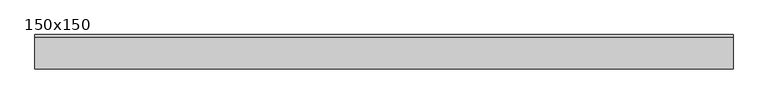
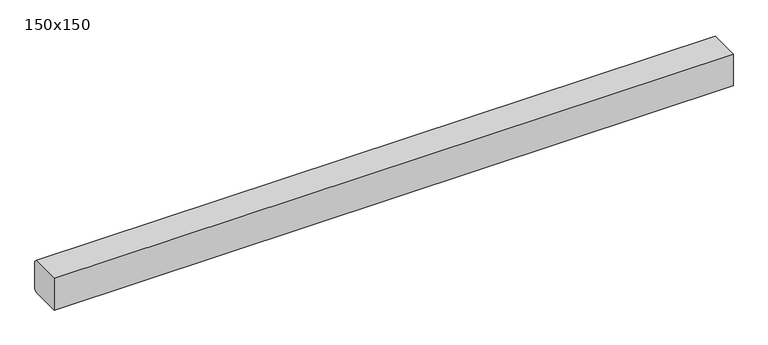
"""IFC4 building model written with IfcOpenShell, lengths in millimetres: beam geometry, 150x150."""

import ifcopenshell
import ifcopenshell.guid

model = None  # the IFC model being written
_history = None  # IfcOwnerHistory: only IFC2X3 demands one
_inside = {}  # id of a spatial element -> (the spatial element, [elements in it])
_under = {}  # id of a project, library or spatial element -> (it, [spatial elements below it])
_declared = {}  # id of a project -> (the project, [libraries it declares])
_typed = {}  # id of a type object -> (the type object, [elements of that type])
_made_of = {}  # id of a material, layer set ... -> (it, [elements and type objects made of it])


def new_model(schema):
    """Start an empty IFC model of exactly this schema.

    Asked for "IFC4X3", IfcOpenShell would pick the latest addendum, in which some entities
    have other attributes; the version numbers below select the first issue.
    IFC2X3 requires an IfcOwnerHistory on every rooted entity: one is made here for all.
    """
    global model, _history
    if schema == "IFC4X3":
        model = ifcopenshell.file(schema_version=(4, 3, 0, 0))
    else:
        model = ifcopenshell.file(schema=schema)
    _inside.clear()
    _under.clear()
    _declared.clear()
    _typed.clear()
    _made_of.clear()
    _history = None
    if model.schema == "IFC2X3":
        org = make("IfcOrganization", Name="unknown")
        user = make(
            "IfcPersonAndOrganization",
            ThePerson=make("IfcPerson", FamilyName="unknown"),
            TheOrganization=org,
        )
        app = make(
            "IfcApplication",
            ApplicationDeveloper=org,
            Version="unknown",
            ApplicationFullName="unknown",
            ApplicationIdentifier="unknown",
        )
        _history = make(
            "IfcOwnerHistory",
            OwningUser=user,
            OwningApplication=app,
            ChangeAction="ADDED",
            CreationDate=0,
        )
    return model


def make(cls, **values):
    """One entity of the class cls with the attributes given. An attribute that is None is left unset."""
    return model.create_entity(
        cls, **{name: value for name, value in values.items() if value is not None}
    )


def rooted(cls, **values):
    """An entity with a GlobalId (a new one), such as an element, a storey or a relation."""
    return make(cls, GlobalId=ifcopenshell.guid.new(), OwnerHistory=_history, **values)


def si_unit(unit_type, name, prefix=None):
    """IfcSIUnit, for example si_unit("LENGTHUNIT", "METRE", prefix="MILLI")."""
    return make("IfcSIUnit", UnitType=unit_type, Prefix=prefix, Name=name)


def assignment(units):
    """IfcUnitAssignment: the units of a project."""
    return None if units is None else make("IfcUnitAssignment", Units=units)


def point(xyz):
    """IfcCartesianPoint."""
    return None if xyz is None else make("IfcCartesianPoint", Coordinates=xyz)


def direction(xyz):
    """IfcDirection."""
    return None if xyz is None else make("IfcDirection", DirectionRatios=xyz)


def frame(location, z_axis=None, x_axis=None):
    """IfcAxis2Placement3D, a coordinate frame: its origin and axes. An axis left out is left unset."""
    return make(
        "IfcAxis2Placement3D",
        Location=point(location),
        Axis=direction(z_axis),
        RefDirection=direction(x_axis),
    )


def origin():
    """The frame at (0, 0, 0) with its axes left unset."""
    return frame((0.0, 0.0, 0.0))


def place(relative_to, where):
    """IfcLocalPlacement: puts the frame where relative to a parent placement (None: the world)."""
    return make(
        "IfcLocalPlacement", PlacementRelTo=relative_to, RelativePlacement=where
    )


def context(
    kind, dimensions, precision=None, world=None, true_north=None, identifier=None
):
    """IfcGeometricRepresentationContext, for example the 3D "Model" context."""
    return make(
        "IfcGeometricRepresentationContext",
        ContextIdentifier=identifier,
        ContextType=kind,
        CoordinateSpaceDimension=dimensions,
        Precision=precision,
        WorldCoordinateSystem=world,
        TrueNorth=true_north,
    )


def project(units=None, contexts=None):
    """IfcProject with its units and contexts."""
    return rooted(
        "IfcProject",
        Name="project",
        RepresentationContexts=contexts,
        UnitsInContext=assignment(units),
    )


def spatial(cls, under=None, at=None, **own):
    """A site, building, storey or space (cls), placed at a placement, below another one or the project."""
    s = rooted(cls, ObjectPlacement=at, **own)
    if under is not None:
        _under.setdefault(under.id(), (under, []))[1].append(s)
    return s


def polyline(points):
    """IfcPolyline through the points."""
    return make("IfcPolyline", Points=[point(p) for p in points])


def outline(outer, holes=None, kind="AREA"):
    """IfcArbitraryClosedProfileDef: a profile drawn as a closed curve; with holes, ...WithVoids."""
    if holes is None:
        return make("IfcArbitraryClosedProfileDef", ProfileType=kind, OuterCurve=outer)
    return make(
        "IfcArbitraryProfileDefWithVoids",
        ProfileType=kind,
        OuterCurve=outer,
        InnerCurves=holes,
    )


def extrude(swept, where, along, depth):
    """IfcExtrudedAreaSolid: the profile swept, set in the frame where, extruded along a direction by depth."""
    return make(
        "IfcExtrudedAreaSolid",
        SweptArea=swept,
        Position=where,
        ExtrudedDirection=direction(along),
        Depth=depth,
    )


def shape(context_of_items, identifier, shape_type, items):
    """IfcShapeRepresentation: the items that make up one representation, for example the "Body"."""
    return make(
        "IfcShapeRepresentation",
        ContextOfItems=context_of_items,
        RepresentationIdentifier=identifier,
        RepresentationType=shape_type,
        Items=items,
    )


def source(mapping_origin, context_of_items, identifier, shape_type, items):
    """IfcRepresentationMap: a shape defined once, which mapped items show again and again."""
    return make(
        "IfcRepresentationMap",
        MappingOrigin=mapping_origin,
        MappedRepresentation=shape(context_of_items, identifier, shape_type, items),
    )


def transform(
    local_origin,
    x_axis=None,
    y_axis=None,
    z_axis=None,
    scale=None,
    scale2=None,
    scale3=None,
    uniform=True,
):
    """IfcCartesianTransformationOperator3D, or its non-uniform kind. x_axis, y_axis, z_axis: its Axis1, 2, 3."""
    if uniform:
        return make(
            "IfcCartesianTransformationOperator3D",
            Axis1=direction(x_axis),
            Axis2=direction(y_axis),
            LocalOrigin=point(local_origin),
            Scale=scale,
            Axis3=direction(z_axis),
        )
    return make(
        "IfcCartesianTransformationOperator3DnonUniform",
        Axis1=direction(x_axis),
        Axis2=direction(y_axis),
        LocalOrigin=point(local_origin),
        Scale=scale,
        Axis3=direction(z_axis),
        Scale2=scale2,
        Scale3=scale3,
    )


def mapped(mapping_source, mapping_target):
    """IfcMappedItem: shows the shape of a source again, moved by a transform."""
    return make(
        "IfcMappedItem", MappingSource=mapping_source, MappingTarget=mapping_target
    )


def made_of(thing, what):
    """Note that an element or type object is made of a material, layer set ...; save() writes the relation."""
    if what is not None:
        _made_of.setdefault(what.id(), (what, []))[1].append(thing)
    return thing


def element(
    cls,
    number,
    at=None,
    inside=None,
    cuts=None,
    type_object=None,
    material=None,
    context=None,
    identifier="Body",
    shape_type=None,
    held_by="IfcProductDefinitionShape",
    body=None,
    shapes=None,
    **own,
):
    """One element of the class cls, such as IfcWall. Its Tag is "e" and its number.

    at: its placement. inside: the storey or other place that contains it. cuts: it is an
    opening in that element (IfcRelVoidsElement). A single representation is given by context,
    identifier, shape_type and body (its items); several are given by shapes. held_by: the class
    of the entity that holds the representations. save() writes the other relations.
    """
    e = rooted(cls, Tag="e%d" % number, ObjectPlacement=at, **own)
    if body is not None:
        shapes = [shape(context, identifier, shape_type, body)]
    if shapes is not None:
        e.Representation = make(held_by, Representations=shapes)
    if inside is not None:
        _inside.setdefault(inside.id(), (inside, []))[1].append(e)
    if cuts is not None:
        rooted(
            "IfcRelVoidsElement", RelatingBuildingElement=cuts, RelatedOpeningElement=e
        )
    if type_object is not None:
        _typed.setdefault(type_object.id(), (type_object, []))[1].append(e)
    return made_of(e, material)


def aggregate(whole, parts):
    """IfcRelAggregates: a whole, such as a stair, and the parts it consists of."""
    return rooted("IfcRelAggregates", RelatingObject=whole, RelatedObjects=parts)


def save(model, path):
    """Write the relations noted so far, then the file.

    IfcRelAggregates (storeys below a building ...), IfcRelContainedInSpatialStructure (elements
    in a storey), IfcRelDefinesByType, IfcRelAssociatesMaterial and IfcRelDeclares: one each for
    every whole, place, type object, material and project.
    """
    for whole, parts in _under.values():
        aggregate(whole, parts)
    for where, things in _inside.values():
        rooted(
            "IfcRelContainedInSpatialStructure",
            RelatedElements=things,
            RelatingStructure=where,
        )
    for kind, things in _typed.values():
        rooted("IfcRelDefinesByType", RelatedObjects=things, RelatingType=kind)
    for what, things in _made_of.values():
        rooted("IfcRelAssociatesMaterial", RelatedObjects=things, RelatingMaterial=what)
    for by, libraries in _declared.values():
        rooted("IfcRelDeclares", RelatingContext=by, RelatedDefinitions=libraries)
    model.write(path)


def beam_150x150_d6681e69(model_context):
    return source(origin(), model_context, "Body", "SweptSolid", [
        extrude(outline(polyline([(75.0, 65.144132), (75.0, -65.144132), (65.0, -75.144132), (-75.0, -75.144132), (-75.0, 74.855868), (65.288264, 74.855868), (75.0, 65.144132)])), frame((2405.2904164, 0.0, 0.0), z_axis=(1.0, 0.0, 0.0), x_axis=(0.0, 1.0, 0.0)), (0.0, 0.0, 1.0), 3044.8013522),
    ])


if __name__ == "__main__":
    model = new_model("IFC4")
    model_context = context("Model", 3, world=origin())
    ifc_project = project(units=[si_unit("LENGTHUNIT", "METRE", prefix="MILLI")], contexts=[model_context])
    site = spatial("IfcSite", under=ifc_project)
    building = spatial("IfcBuilding", under=site)
    placement = place(None, origin())
    beam_150x150_shape = beam_150x150_d6681e69(model_context)
    element("IfcBeam", 1, ObjectType="150x150", at=placement, inside=building, context=model_context, shape_type="MappedRepresentation", body=[
        mapped(beam_150x150_shape, transform((0.0, 0.0, 0.0), x_axis=(1.0, 0.0, 0.0), y_axis=(0.0, 1.0, 0.0), z_axis=(0.0, 0.0, 1.0))),
    ])
    save(model, "model.ifc")
